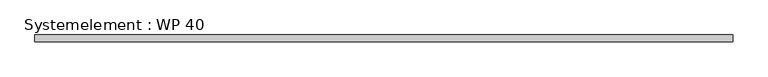
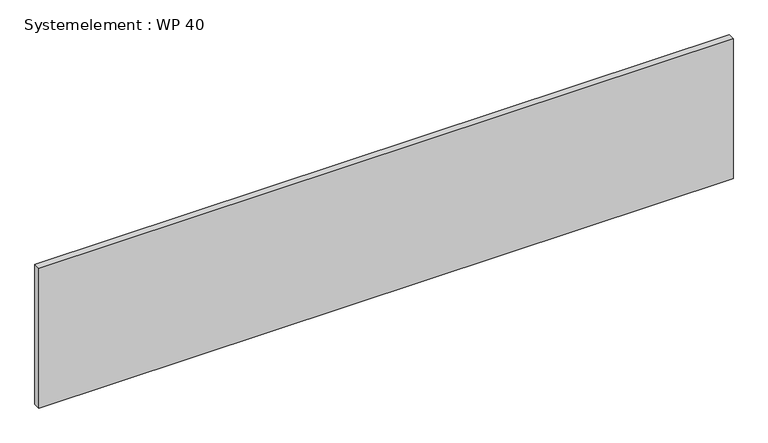
"""IFC4 building model written with IfcOpenShell, lengths in millimetres: plate geometry, Systemelement : WP 40."""

from ifc_helpers import new_model, si_unit, origin, origin_with_axes, place, context, project, spatial, polyline, outline, extrude, source, transform, mapped, element, save


def systemelement_wp_40_75d04c44(model_context):
    return source(origin(), model_context, "Body", "SweptSolid", [
        extrude(outline(polyline([(2000.0, -40.0), (-2000.0, -40.0), (-2000.0, 0.0), (2000.0, 0.0), (2000.0, -40.0)])), origin_with_axes(), (0.0, 0.0, 1.0), 851.6147161),
    ])


if __name__ == "__main__":
    model = new_model("IFC4")
    model_context = context("Model", 3, world=origin())
    ifc_project = project(units=[si_unit("LENGTHUNIT", "METRE", prefix="MILLI")], contexts=[model_context])
    site = spatial("IfcSite", under=ifc_project)
    building = spatial("IfcBuilding", under=site)
    placement = place(None, origin())
    systemelement_wp_40_shape = systemelement_wp_40_75d04c44(model_context)
    element("IfcPlate", 1, ObjectType="Systemelement : WP 40", at=placement, inside=building, context=model_context, shape_type="MappedRepresentation", body=[
        mapped(systemelement_wp_40_shape, transform((0.0, 0.0, 0.0), x_axis=(1.0, 0.0, 0.0), y_axis=(0.0, 1.0, 0.0), z_axis=(0.0, 0.0, 1.0))),
    ])
    save(model, "model.ifc")
